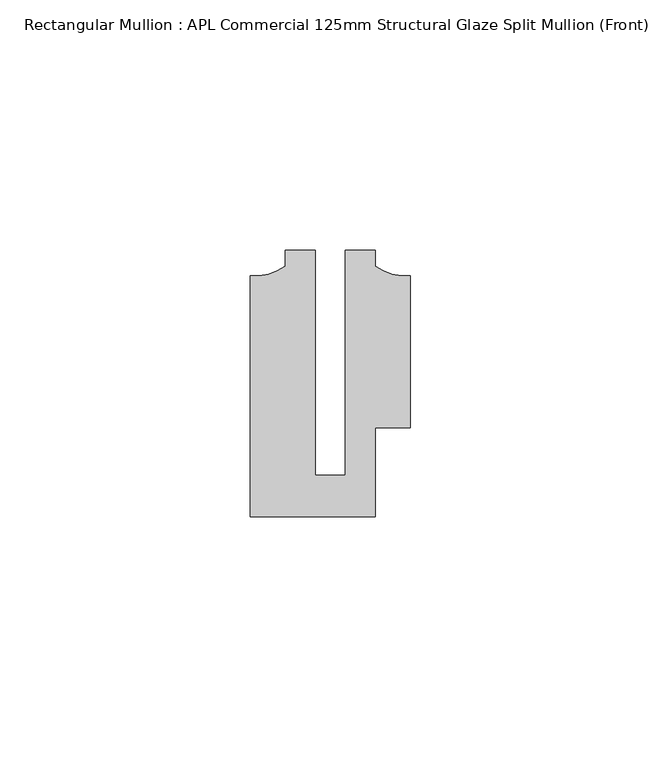
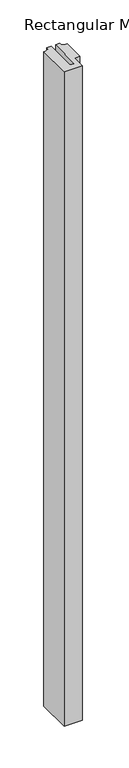
"""IFC4 building model written with IfcOpenShell, lengths in millimetres: member geometry, Rectangular Mullion : APL Commercial 125mm Structural Glaze Split Mullion (Front)."""

from ifc_helpers import new_model, si_unit, point, frame, frame_2d, origin, place, context, project, spatial, polyline, circle_curve, trimmed, segment, composite_curve, outline, extrude, source, transform, mapped, element, save


def rectangular_mullion_apl_commercial_125mm_structural_glaze_dd52a278(model_context):
    return source(origin(), model_context, "Body", "SweptSolid", [
        extrude(outline(composite_curve([segment(polyline([(15.9999391, -14.9953356), (9.0, -14.9953356), (9.0, -32.7960123), (-15.9999391, -32.7960123), (-15.9999391, 15.3837352)]), True, "CONTINUOUS"), segment(trimmed(circle_curve(frame_2d((-15.1098019, 25.802169)), 10.4563907), [point((-15.9999391, 15.3837352))], [point((-8.9999842, 17.3165203))], True, "CARTESIAN"), True, "CONTINUOUS"), segment(polyline([(-8.9999842, 17.3165203), (-8.9999842, 20.5039877), (-2.9999659, 20.5039877), (-2.9999659, -24.5130805), (2.9999676, -24.5130805), (2.9999676, 20.5039877), (8.9999842, 20.5039877), (8.9999842, 17.3165203)]), True, "CONTINUOUS"), segment(trimmed(circle_curve(frame_2d((15.1098019, 25.802169)), 10.4563907), [point((8.9999842, 17.3165203))], [point((15.9999391, 15.3837352))], True, "CARTESIAN"), True, "CONTINUOUS"), segment(polyline([(15.9999391, 15.3837352), (15.9999391, -14.9953356)]), True, "CONTINUOUS")], self_intersect=False)), frame((0.0, 0.0, -956.8287873), z_axis=(0.0, 0.0, 1.0), x_axis=(1.0, 0.0, 0.0)), (0.0, 0.0, 1.0), 956.8287873),
    ])


if __name__ == "__main__":
    model = new_model("IFC4")
    model_context = context("Model", 3, world=origin())
    ifc_project = project(units=[si_unit("LENGTHUNIT", "METRE", prefix="MILLI")], contexts=[model_context])
    site = spatial("IfcSite", under=ifc_project)
    building = spatial("IfcBuilding", under=site)
    placement = place(None, origin())
    rectangular_mullion_apl_commercial_125mm_structural_glaze_shape = rectangular_mullion_apl_commercial_125mm_structural_glaze_dd52a278(model_context)
    element("IfcMember", 1, ObjectType="Rectangular Mullion : APL Commercial 125mm Structural Glaze Split Mullion (Front)", at=placement, inside=building, context=model_context, shape_type="MappedRepresentation", body=[
        mapped(rectangular_mullion_apl_commercial_125mm_structural_glaze_shape, transform((0.0, 0.0, 0.0), x_axis=(1.0, 0.0, 0.0), y_axis=(0.0, 1.0, 0.0), z_axis=(0.0, 0.0, 1.0))),
    ])
    save(model, "model.ifc")
